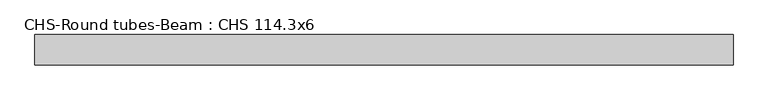
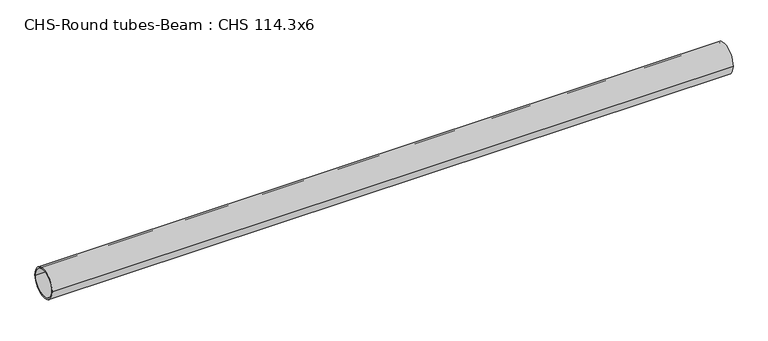
"""IFC4 building model written with IfcOpenShell, lengths in millimetres: beam geometry, CHS-Round tubes-Beam : CHS 114.3x6."""

from ifc_helpers import new_model, si_unit, point, frame, origin, origin_2d, place, context, project, spatial, circle_curve, trimmed, segment, composite_curve, outline, extrude, source, transform, mapped, element, save


def chs_round_tubes_beam_chs_114_3x6_38429a8e(model_context):
    return source(origin(), model_context, "Body", "SweptSolid", [
        extrude(outline(composite_curve([segment(trimmed(circle_curve(origin_2d(), 57.15), [point((57.15, 0.0))], [point((-57.15, 0.0))], False, "CARTESIAN"), True, "CONTINUOUS"), segment(trimmed(circle_curve(origin_2d(), 57.15), [point((-57.15, 0.0))], [point((57.15, 0.0))], False, "CARTESIAN"), True, "CONTINUOUS")], self_intersect=False), holes=[composite_curve([segment(trimmed(circle_curve(origin_2d(), 51.15), [point((51.15, 0.0))], [point((-51.15, 0.0))], True, "CARTESIAN"), True, "CONTINUOUS"), segment(trimmed(circle_curve(origin_2d(), 51.15), [point((-51.15, 0.0))], [point((51.15, 0.0))], True, "CARTESIAN"), True, "CONTINUOUS")], self_intersect=False)]), frame((-1294.5251736, 0.0, 0.0), z_axis=(1.0, 0.0, 0.0), x_axis=(0.0, 1.0, 0.0)), (0.0, 0.0, 1.0), 2611.9620639),
    ])


if __name__ == "__main__":
    model = new_model("IFC4")
    model_context = context("Model", 3, world=origin())
    ifc_project = project(units=[si_unit("LENGTHUNIT", "METRE", prefix="MILLI")], contexts=[model_context])
    site = spatial("IfcSite", under=ifc_project)
    building = spatial("IfcBuilding", under=site)
    placement = place(None, origin())
    chs_round_tubes_beam_chs_114_3x6_shape = chs_round_tubes_beam_chs_114_3x6_38429a8e(model_context)
    element("IfcBeam", 1, ObjectType="CHS-Round tubes-Beam : CHS 114.3x6", at=placement, inside=building, context=model_context, shape_type="MappedRepresentation", body=[
        mapped(chs_round_tubes_beam_chs_114_3x6_shape, transform((0.0, 0.0, 0.0), x_axis=(1.0, 0.0, 0.0), y_axis=(0.0, 1.0, 0.0), z_axis=(0.0, 0.0, 1.0))),
    ])
    save(model, "model.ifc")
